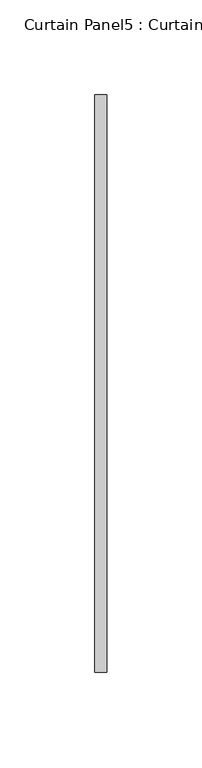
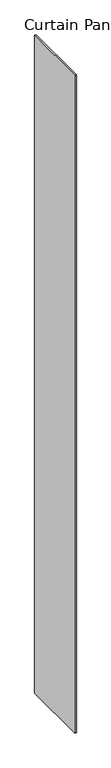
"""IFC4 building model written with IfcOpenShell, lengths in millimetres: plate geometry, Curtain Panel5 : Curtain Panel."""

from ifc_helpers import new_model, si_unit, origin, origin_with_axes, place, context, project, spatial, polyline, outline, extrude, source, transform, mapped, element, save


def curtain_panel5_curtain_panel_69a3faa1(model_context):
    return source(origin(), model_context, "Body", "SweptSolid", [
        extrude(outline(polyline([(114331.683589, 2017.2357423), (114331.683589, 2322.0357423), (114338.033589, 2322.0357423), (114338.033589, 2017.2357423), (114331.683589, 2017.2357423)])), origin_with_axes(), (0.0, 0.0, 1.0), 3048.0),
    ])


if __name__ == "__main__":
    model = new_model("IFC4")
    model_context = context("Model", 3, world=origin())
    ifc_project = project(units=[si_unit("LENGTHUNIT", "METRE", prefix="MILLI")], contexts=[model_context])
    site = spatial("IfcSite", under=ifc_project)
    building = spatial("IfcBuilding", under=site)
    placement = place(None, origin())
    curtain_panel5_curtain_panel_shape = curtain_panel5_curtain_panel_69a3faa1(model_context)
    element("IfcPlate", 1, ObjectType="Curtain Panel5 : Curtain Panel", at=placement, inside=building, context=model_context, shape_type="MappedRepresentation", body=[
        mapped(curtain_panel5_curtain_panel_shape, transform((0.0, 0.0, 0.0), x_axis=(1.0, 0.0, 0.0), y_axis=(0.0, 1.0, 0.0), z_axis=(0.0, 0.0, 1.0))),
    ])
    save(model, "model.ifc")
